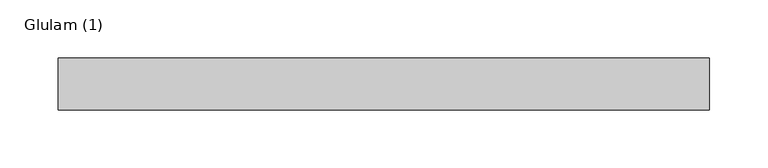
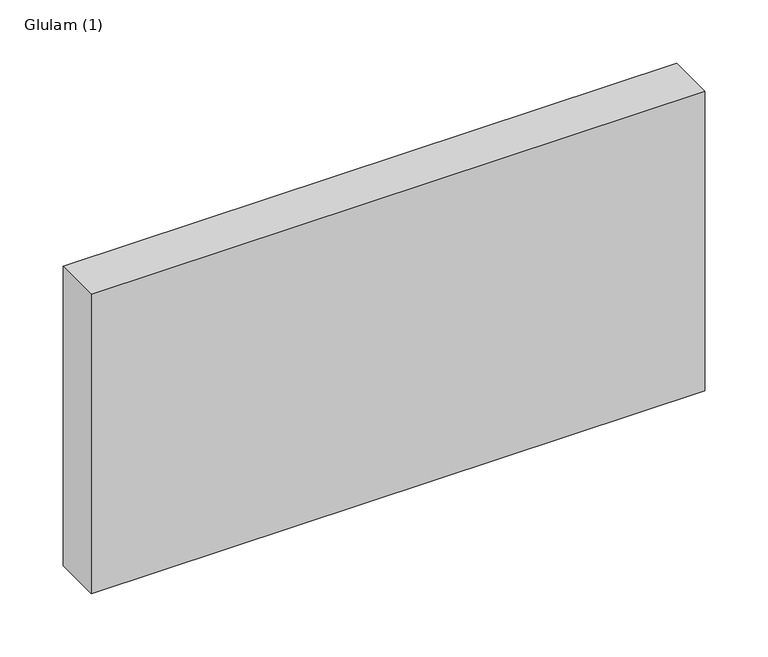
"""IFC4 building model written with IfcOpenShell, lengths in millimetres: beam geometry, Glulam (1)."""

from ifc_helpers import new_model, si_unit, frame, origin, place, context, project, spatial, polyline, outline, extrude, source, transform, mapped, element, save


def glulam_1_9400919f(model_context):
    return source(origin(), model_context, "Body", "SweptSolid", [
        extrude(outline(polyline([(281.0, 22.5), (281.0, -22.5), (-281.0, -22.5), (-281.0, 22.5), (281.0, 22.5)])), frame((0.0, 0.0, -145.0), z_axis=(0.0, 0.0, 1.0), x_axis=(1.0, 0.0, 0.0)), (0.0, 0.0, 1.0), 290.0),
    ])


if __name__ == "__main__":
    model = new_model("IFC4")
    model_context = context("Model", 3, world=origin())
    ifc_project = project(units=[si_unit("LENGTHUNIT", "METRE", prefix="MILLI")], contexts=[model_context])
    site = spatial("IfcSite", under=ifc_project)
    building = spatial("IfcBuilding", under=site)
    placement = place(None, origin())
    glulam_1_shape = glulam_1_9400919f(model_context)
    element("IfcBeam", 1, ObjectType="Glulam (1)", at=placement, inside=building, context=model_context, shape_type="MappedRepresentation", body=[
        mapped(glulam_1_shape, transform((0.0, 0.0, 0.0), x_axis=(1.0, 0.0, 0.0), y_axis=(0.0, 1.0, 0.0), z_axis=(0.0, 0.0, 1.0))),
    ])
    save(model, "model.ifc")
